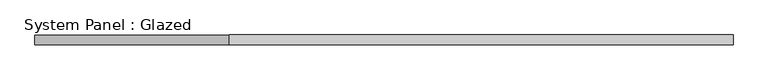
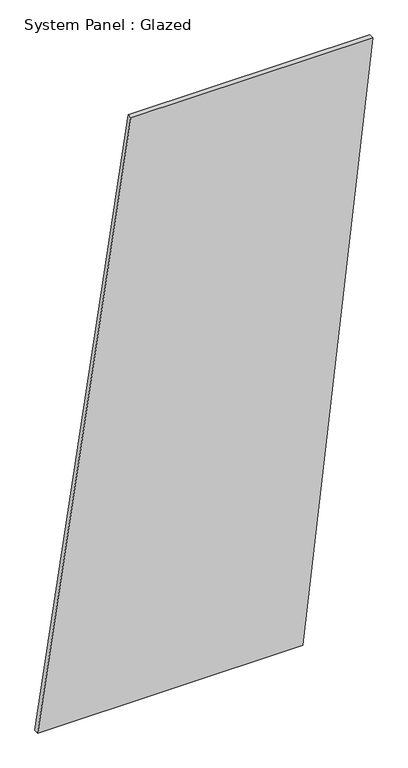
"""IFC4 building model written with IfcOpenShell, lengths in millimetres: plate geometry, System Panel : Glazed."""

from ifc_helpers import new_model, si_unit, frame, origin, place, context, project, spatial, polyline, outline, extrude, source, transform, mapped, element, save


def system_panel_glazed_3e2fcf8c(model_context):
    return source(origin(), model_context, "Body", "SweptSolid", [
        extrude(outline(polyline([(0.0, -903.4561262), (0.0, 526.1196269), (3333.2590354, 903.4561262), (3333.2590354, -400.3407938), (0.0, -903.4561262)])), frame((0.0, -49.5, 0.0), z_axis=(0.0, 1.0, 0.0), x_axis=(0.0, 0.0, 1.0)), (0.0, 0.0, 1.0), 25.0),
    ])


if __name__ == "__main__":
    model = new_model("IFC4")
    model_context = context("Model", 3, world=origin())
    ifc_project = project(units=[si_unit("LENGTHUNIT", "METRE", prefix="MILLI")], contexts=[model_context])
    site = spatial("IfcSite", under=ifc_project)
    building = spatial("IfcBuilding", under=site)
    placement = place(None, origin())
    system_panel_glazed_shape = system_panel_glazed_3e2fcf8c(model_context)
    element("IfcPlate", 1, ObjectType="System Panel : Glazed", at=placement, inside=building, context=model_context, shape_type="MappedRepresentation", body=[
        mapped(system_panel_glazed_shape, transform((0.0, 0.0, 0.0), x_axis=(1.0, 0.0, 0.0), y_axis=(0.0, 1.0, 0.0), z_axis=(0.0, 0.0, 1.0))),
    ])
    save(model, "model.ifc")
